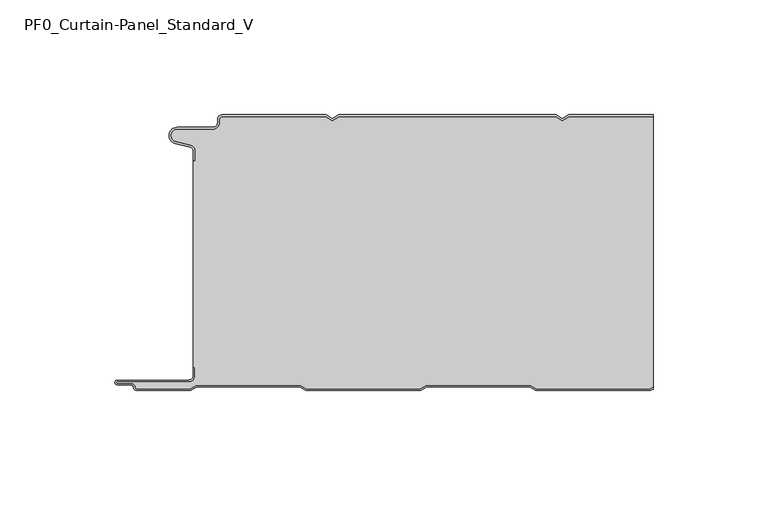
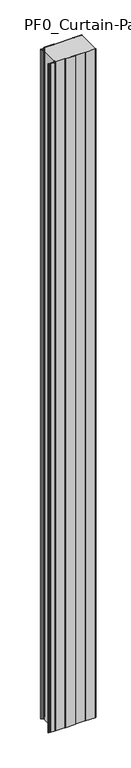
"""IFC4 building model written with IfcOpenShell, lengths in millimetres: plate geometry, PF0_Curtain-Panel_Standard_V."""

from ifc_helpers import new_model, si_unit, point, frame_2d, origin, origin_with_axes, place, context, project, spatial, polyline, circle_curve, trimmed, segment, composite_curve, outline, extrude, source, transform, mapped, element, save


def pf0_curtain_panel_standard_v_b617f989(model_context):
    return source(origin(), model_context, "Body", "SweptSolid", [
        extrude(outline(composite_curve([segment(trimmed(circle_curve(frame_2d((-102.0, -15.878557)), 2.0), [point((-100.0, -15.878557))], [point((-101.5500978, -13.9298169))], True, "CARTESIAN"), True, "CONTINUOUS"), segment(polyline([(-101.5500978, -13.9298169), (-107.7098239, -12.507732)]), True, "CONTINUOUS"), segment(trimmed(circle_curve(frame_2d((-106.9, -9.0)), 3.6), [point((-107.7098239, -12.507732))], [point((-106.9, -5.4))], False, "CARTESIAN"), True, "CONTINUOUS"), segment(polyline([(-106.9, -5.4), (-91.4, -5.4)]), True, "CONTINUOUS"), segment(trimmed(circle_curve(frame_2d((-91.4, -3.4)), 2.0), [point((-91.4, -5.4))], [point((-89.4, -3.4))], True, "CARTESIAN"), True, "CONTINUOUS"), segment(polyline([(-89.4, -3.4), (-89.4, -2.0)]), True, "CONTINUOUS"), segment(trimmed(circle_curve(frame_2d((-87.4, -2.0)), 2.0), [point((-89.4, -2.0))], [point((-87.4, 0.0))], False, "CARTESIAN"), True, "CONTINUOUS"), segment(polyline([(-87.4, 0.0), (-42.0999995, 0.0), (-39.4, -1.5588455), (-36.7000005, 0.0), (57.9000005, 0.0), (60.6, -1.5588455), (63.2999995, 0.0), (100.0, 0.0), (100.0, -0.8), (63.5143588, -0.8), (60.6, -2.482606), (57.6856412, -0.8), (-36.4856412, -0.8), (-39.4, -2.482606), (-42.3143588, -0.8), (-87.4, -0.8)]), True, "CONTINUOUS"), segment(trimmed(circle_curve(frame_2d((-87.4, -2.0)), 1.2), [point((-87.4, -0.8))], [point((-88.6, -2.0))], True, "CARTESIAN"), True, "CONTINUOUS"), segment(polyline([(-88.6, -2.0), (-88.6, -3.4)]), True, "CONTINUOUS"), segment(trimmed(circle_curve(frame_2d((-91.4, -3.4)), 2.8), [point((-88.6, -3.4))], [point((-91.4, -6.2))], False, "CARTESIAN"), True, "CONTINUOUS"), segment(polyline([(-91.4, -6.2), (-106.9, -6.2)]), True, "CONTINUOUS"), segment(trimmed(circle_curve(frame_2d((-106.9, -9.0)), 2.8), [point((-106.9, -6.2))], [point((-107.529863, -11.7282362))], True, "CARTESIAN"), True, "CONTINUOUS"), segment(polyline([(-107.529863, -11.7282362), (-101.370137, -13.150321)]), True, "CONTINUOUS"), segment(trimmed(circle_curve(frame_2d((-102.0, -15.878557)), 2.8), [point((-101.370137, -13.150321))], [point((-99.2, -15.878557))], False, "CARTESIAN"), True, "CONTINUOUS"), segment(polyline([(-99.2, -15.878557), (-99.2, -20.0), (-100.0, -20.0), (-100.0, -15.878557)]), True, "CONTINUOUS")], self_intersect=False)), origin_with_axes(), (0.0, 0.0, 1.0), 3500.0),
        extrude(outline(composite_curve([segment(polyline([(-99.2, -110.0), (-100.0, -110.0), (-100.0, -20.0), (-99.2, -20.0), (-99.2, -15.878557)]), True, "CONTINUOUS"), segment(trimmed(circle_curve(frame_2d((-102.0, -15.878557)), 2.8), [point((-99.2, -15.878557))], [point((-101.370137, -13.1503208))], True, "CARTESIAN"), True, "CONTINUOUS"), segment(polyline([(-101.370137, -13.1503208), (-107.529863, -11.7282362)]), True, "CONTINUOUS"), segment(trimmed(circle_curve(frame_2d((-106.9, -9.0)), 2.8), [point((-107.529863, -11.7282362))], [point((-106.9, -6.2))], False, "CARTESIAN"), True, "CONTINUOUS"), segment(polyline([(-106.9, -6.2), (-91.4, -6.2)]), True, "CONTINUOUS"), segment(trimmed(circle_curve(frame_2d((-91.4, -3.4)), 2.8), [point((-91.4, -6.2))], [point((-88.6, -3.4))], True, "CARTESIAN"), True, "CONTINUOUS"), segment(polyline([(-88.6, -3.4), (-88.6, -2.0)]), True, "CONTINUOUS"), segment(trimmed(circle_curve(frame_2d((-87.4, -2.0)), 1.2), [point((-88.6, -2.0))], [point((-87.4, -0.8))], False, "CARTESIAN"), True, "CONTINUOUS"), segment(polyline([(-87.4, -0.8), (-42.3143588, -0.8), (-39.4, -2.482606), (-36.4856412, -0.8), (57.6856412, -0.8), (60.6, -2.482606), (63.5143588, -0.8), (100.0, -0.8), (100.0, -118.5016287), (98.7903848, -119.2), (49.2152562, -119.2), (46.6171786, -117.7), (1.3884624, -117.7), (-1.2096152, -119.2), (-50.7847438, -119.2), (-53.3828214, -117.7), (-98.6115376, -117.7), (-101.2096152, -119.2), (-124.4, -119.2)]), True, "CONTINUOUS"), segment(trimmed(circle_curve(frame_2d((-124.4, -118.4)), 0.8), [point((-124.4, -119.2))], [point((-125.2, -118.4))], False, "CARTESIAN"), True, "CONTINUOUS"), segment(trimmed(circle_curve(frame_2d((-126.9, -118.6133333)), 1.7133333), [point((-125.2, -118.4))], [point((-126.9, -116.9))], True, "CARTESIAN"), True, "CONTINUOUS"), segment(polyline([(-126.9, -116.9), (-132.8700312, -116.9)]), True, "CONTINUOUS"), segment(trimmed(circle_curve(frame_2d((-132.8700312, -116.6)), 0.3), [point((-132.8700312, -116.9))], [point((-132.8700312, -116.3))], False, "CARTESIAN"), True, "CONTINUOUS"), segment(polyline([(-132.8700312, -116.3), (-102.0, -116.3)]), True, "CONTINUOUS"), segment(trimmed(circle_curve(frame_2d((-102.0, -113.5)), 2.8), [point((-102.0, -116.3))], [point((-99.2, -113.5))], True, "CARTESIAN"), True, "CONTINUOUS"), segment(polyline([(-99.2, -113.5), (-99.2, -110.0)]), True, "CONTINUOUS")], self_intersect=False)), origin_with_axes(), (0.0, 0.0, 1.0), 3500.0),
        extrude(outline(composite_curve([segment(polyline([(-100.0, -110.0), (-99.2, -110.0), (-99.2, -113.5)]), True, "CONTINUOUS"), segment(trimmed(circle_curve(frame_2d((-102.0, -113.5)), 2.8), [point((-99.2, -113.5))], [point((-102.0, -116.3))], False, "CARTESIAN"), True, "CONTINUOUS"), segment(polyline([(-102.0, -116.3), (-132.8700312, -116.3)]), True, "CONTINUOUS"), segment(trimmed(circle_curve(frame_2d((-132.8700312, -116.6)), 0.3), [point((-132.8700312, -116.3))], [point((-132.8700312, -116.9))], True, "CARTESIAN"), True, "CONTINUOUS"), segment(polyline([(-132.8700312, -116.9), (-126.9, -116.9)]), True, "CONTINUOUS"), segment(trimmed(circle_curve(frame_2d((-126.9, -118.6133333)), 1.7133333), [point((-126.9, -116.9))], [point((-125.2, -118.4))], False, "CARTESIAN"), True, "CONTINUOUS"), segment(trimmed(circle_curve(frame_2d((-124.4, -118.4)), 0.8), [point((-125.2, -118.4))], [point((-124.4, -119.2))], True, "CARTESIAN"), True, "CONTINUOUS"), segment(polyline([(-124.4, -119.2), (-101.2096152, -119.2), (-98.6115376, -117.7), (-53.3828214, -117.7), (-50.7847438, -119.2), (-1.2096152, -119.2), (1.3884624, -117.7), (46.6171786, -117.7), (49.2152562, -119.2), (98.7903848, -119.2), (100.0, -118.5016287), (100.0, -119.425389), (99.0047441, -120.0), (49.0008969, -120.0), (46.4028193, -118.5), (1.6028217, -118.5), (-0.9952559, -120.0), (-50.9991031, -120.0), (-53.5971807, -118.5), (-98.3971783, -118.5), (-100.9952559, -120.0), (-124.4, -120.0)]), True, "CONTINUOUS"), segment(trimmed(circle_curve(frame_2d((-124.4, -118.4)), 1.6), [point((-124.4, -120.0))], [point((-126.0, -118.4))], False, "CARTESIAN"), True, "CONTINUOUS"), segment(trimmed(circle_curve(frame_2d((-126.9, -118.4)), 0.9), [point((-126.0, -118.4))], [point((-126.9, -117.5))], True, "CARTESIAN"), True, "CONTINUOUS"), segment(polyline([(-126.9, -117.5), (-133.0, -117.5)]), True, "CONTINUOUS"), segment(trimmed(circle_curve(frame_2d((-133.0, -116.5)), 1.0), [point((-133.0, -117.5))], [point((-133.0, -115.5))], False, "CARTESIAN"), True, "CONTINUOUS"), segment(polyline([(-133.0, -115.5), (-102.0, -115.5)]), True, "CONTINUOUS"), segment(trimmed(circle_curve(frame_2d((-102.0, -113.5)), 2.0), [point((-102.0, -115.5))], [point((-100.0, -113.5))], True, "CARTESIAN"), True, "CONTINUOUS"), segment(polyline([(-100.0, -113.5), (-100.0, -110.0)]), True, "CONTINUOUS")], self_intersect=False)), origin_with_axes(), (0.0, 0.0, 1.0), 3500.0),
    ])


if __name__ == "__main__":
    model = new_model("IFC4")
    model_context = context("Model", 3, world=origin())
    ifc_project = project(units=[si_unit("LENGTHUNIT", "METRE", prefix="MILLI")], contexts=[model_context])
    site = spatial("IfcSite", under=ifc_project)
    building = spatial("IfcBuilding", under=site)
    placement = place(None, origin())
    pf0_curtain_panel_standard_v_shape = pf0_curtain_panel_standard_v_b617f989(model_context)
    element("IfcPlate", 1, ObjectType="PF0_Curtain-Panel_Standard_V", at=placement, inside=building, context=model_context, shape_type="MappedRepresentation", body=[
        mapped(pf0_curtain_panel_standard_v_shape, transform((0.0, 0.0, 0.0), x_axis=(1.0, 0.0, 0.0), y_axis=(0.0, 1.0, 0.0), z_axis=(0.0, 0.0, 1.0))),
    ])
    save(model, "model.ifc")
